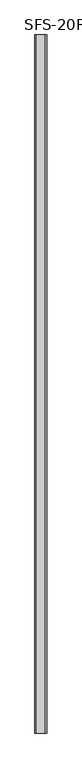
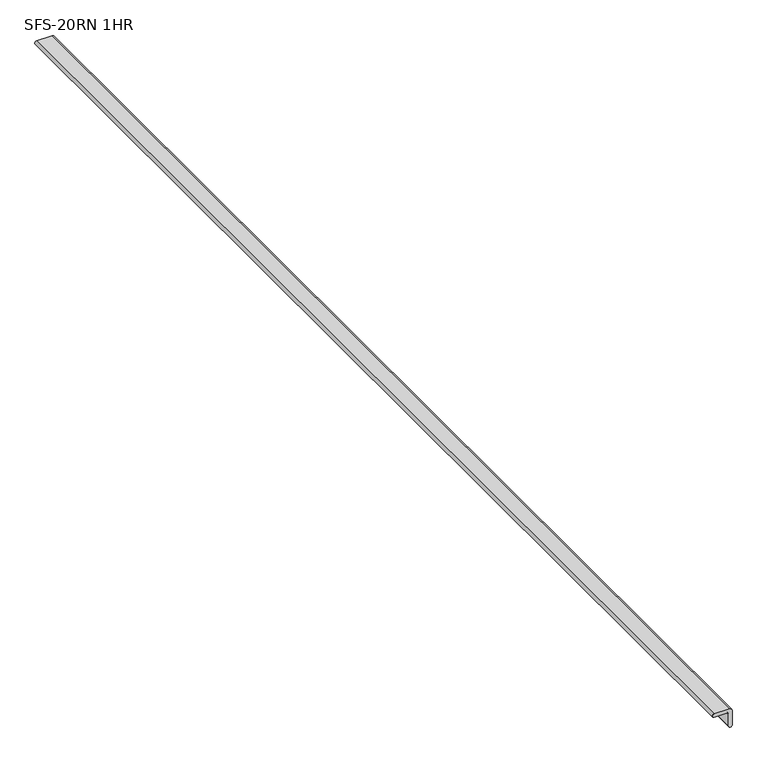
"""IFC4 building model written with IfcOpenShell, lengths in millimetres: proxy geometry, SFS-20RN 1HR."""

import ifcopenshell
import ifcopenshell.guid

model = None  # the IFC model being written
_history = None  # IfcOwnerHistory: only IFC2X3 demands one
_inside = {}  # id of a spatial element -> (the spatial element, [elements in it])
_under = {}  # id of a project, library or spatial element -> (it, [spatial elements below it])
_declared = {}  # id of a project -> (the project, [libraries it declares])
_typed = {}  # id of a type object -> (the type object, [elements of that type])
_made_of = {}  # id of a material, layer set ... -> (it, [elements and type objects made of it])


def new_model(schema):
    """Start an empty IFC model of exactly this schema.

    Asked for "IFC4X3", IfcOpenShell would pick the latest addendum, in which some entities
    have other attributes; the version numbers below select the first issue.
    IFC2X3 requires an IfcOwnerHistory on every rooted entity: one is made here for all.
    """
    global model, _history
    if schema == "IFC4X3":
        model = ifcopenshell.file(schema_version=(4, 3, 0, 0))
    else:
        model = ifcopenshell.file(schema=schema)
    _inside.clear()
    _under.clear()
    _declared.clear()
    _typed.clear()
    _made_of.clear()
    _history = None
    if model.schema == "IFC2X3":
        org = make("IfcOrganization", Name="unknown")
        user = make(
            "IfcPersonAndOrganization",
            ThePerson=make("IfcPerson", FamilyName="unknown"),
            TheOrganization=org,
        )
        app = make(
            "IfcApplication",
            ApplicationDeveloper=org,
            Version="unknown",
            ApplicationFullName="unknown",
            ApplicationIdentifier="unknown",
        )
        _history = make(
            "IfcOwnerHistory",
            OwningUser=user,
            OwningApplication=app,
            ChangeAction="ADDED",
            CreationDate=0,
        )
    return model


def make(cls, **values):
    """One entity of the class cls with the attributes given. An attribute that is None is left unset."""
    return model.create_entity(
        cls, **{name: value for name, value in values.items() if value is not None}
    )


def rooted(cls, **values):
    """An entity with a GlobalId (a new one), such as an element, a storey or a relation."""
    return make(cls, GlobalId=ifcopenshell.guid.new(), OwnerHistory=_history, **values)


def si_unit(unit_type, name, prefix=None):
    """IfcSIUnit, for example si_unit("LENGTHUNIT", "METRE", prefix="MILLI")."""
    return make("IfcSIUnit", UnitType=unit_type, Prefix=prefix, Name=name)


def assignment(units):
    """IfcUnitAssignment: the units of a project."""
    return None if units is None else make("IfcUnitAssignment", Units=units)


def point(xyz):
    """IfcCartesianPoint."""
    return None if xyz is None else make("IfcCartesianPoint", Coordinates=xyz)


def direction(xyz):
    """IfcDirection."""
    return None if xyz is None else make("IfcDirection", DirectionRatios=xyz)


def frame(location, z_axis=None, x_axis=None):
    """IfcAxis2Placement3D, a coordinate frame: its origin and axes. An axis left out is left unset."""
    return make(
        "IfcAxis2Placement3D",
        Location=point(location),
        Axis=direction(z_axis),
        RefDirection=direction(x_axis),
    )


def origin():
    """The frame at (0, 0, 0) with its axes left unset."""
    return frame((0.0, 0.0, 0.0))


def place(relative_to, where):
    """IfcLocalPlacement: puts the frame where relative to a parent placement (None: the world)."""
    return make(
        "IfcLocalPlacement", PlacementRelTo=relative_to, RelativePlacement=where
    )


def context(
    kind, dimensions, precision=None, world=None, true_north=None, identifier=None
):
    """IfcGeometricRepresentationContext, for example the 3D "Model" context."""
    return make(
        "IfcGeometricRepresentationContext",
        ContextIdentifier=identifier,
        ContextType=kind,
        CoordinateSpaceDimension=dimensions,
        Precision=precision,
        WorldCoordinateSystem=world,
        TrueNorth=true_north,
    )


def project(units=None, contexts=None):
    """IfcProject with its units and contexts."""
    return rooted(
        "IfcProject",
        Name="project",
        RepresentationContexts=contexts,
        UnitsInContext=assignment(units),
    )


def spatial(cls, under=None, at=None, **own):
    """A site, building, storey or space (cls), placed at a placement, below another one or the project."""
    s = rooted(cls, ObjectPlacement=at, **own)
    if under is not None:
        _under.setdefault(under.id(), (under, []))[1].append(s)
    return s


def polyline(points):
    """IfcPolyline through the points."""
    return make("IfcPolyline", Points=[point(p) for p in points])


def circle_curve(where, radius):
    """IfcCircle in the frame where."""
    return make("IfcCircle", Position=where, Radius=radius)


def shape(context_of_items, identifier, shape_type, items):
    """IfcShapeRepresentation: the items that make up one representation, for example the "Body"."""
    return make(
        "IfcShapeRepresentation",
        ContextOfItems=context_of_items,
        RepresentationIdentifier=identifier,
        RepresentationType=shape_type,
        Items=items,
    )


def source(mapping_origin, context_of_items, identifier, shape_type, items):
    """IfcRepresentationMap: a shape defined once, which mapped items show again and again."""
    return make(
        "IfcRepresentationMap",
        MappingOrigin=mapping_origin,
        MappedRepresentation=shape(context_of_items, identifier, shape_type, items),
    )


def transform(
    local_origin,
    x_axis=None,
    y_axis=None,
    z_axis=None,
    scale=None,
    scale2=None,
    scale3=None,
    uniform=True,
):
    """IfcCartesianTransformationOperator3D, or its non-uniform kind. x_axis, y_axis, z_axis: its Axis1, 2, 3."""
    if uniform:
        return make(
            "IfcCartesianTransformationOperator3D",
            Axis1=direction(x_axis),
            Axis2=direction(y_axis),
            LocalOrigin=point(local_origin),
            Scale=scale,
            Axis3=direction(z_axis),
        )
    return make(
        "IfcCartesianTransformationOperator3DnonUniform",
        Axis1=direction(x_axis),
        Axis2=direction(y_axis),
        LocalOrigin=point(local_origin),
        Scale=scale,
        Axis3=direction(z_axis),
        Scale2=scale2,
        Scale3=scale3,
    )


def mapped(mapping_source, mapping_target):
    """IfcMappedItem: shows the shape of a source again, moved by a transform."""
    return make(
        "IfcMappedItem", MappingSource=mapping_source, MappingTarget=mapping_target
    )


def made_of(thing, what):
    """Note that an element or type object is made of a material, layer set ...; save() writes the relation."""
    if what is not None:
        _made_of.setdefault(what.id(), (what, []))[1].append(thing)
    return thing


def element(
    cls,
    number,
    at=None,
    inside=None,
    cuts=None,
    type_object=None,
    material=None,
    context=None,
    identifier="Body",
    shape_type=None,
    held_by="IfcProductDefinitionShape",
    body=None,
    shapes=None,
    **own,
):
    """One element of the class cls, such as IfcWall. Its Tag is "e" and its number.

    at: its placement. inside: the storey or other place that contains it. cuts: it is an
    opening in that element (IfcRelVoidsElement). A single representation is given by context,
    identifier, shape_type and body (its items); several are given by shapes. held_by: the class
    of the entity that holds the representations. save() writes the other relations.
    """
    e = rooted(cls, Tag="e%d" % number, ObjectPlacement=at, **own)
    if body is not None:
        shapes = [shape(context, identifier, shape_type, body)]
    if shapes is not None:
        e.Representation = make(held_by, Representations=shapes)
    if inside is not None:
        _inside.setdefault(inside.id(), (inside, []))[1].append(e)
    if cuts is not None:
        rooted(
            "IfcRelVoidsElement", RelatingBuildingElement=cuts, RelatedOpeningElement=e
        )
    if type_object is not None:
        _typed.setdefault(type_object.id(), (type_object, []))[1].append(e)
    return made_of(e, material)


def aggregate(whole, parts):
    """IfcRelAggregates: a whole, such as a stair, and the parts it consists of."""
    return rooted("IfcRelAggregates", RelatingObject=whole, RelatedObjects=parts)


def save(model, path):
    """Write the relations noted so far, then the file.

    IfcRelAggregates (storeys below a building ...), IfcRelContainedInSpatialStructure (elements
    in a storey), IfcRelDefinesByType, IfcRelAssociatesMaterial and IfcRelDeclares: one each for
    every whole, place, type object, material and project.
    """
    for whole, parts in _under.values():
        aggregate(whole, parts)
    for where, things in _inside.values():
        rooted(
            "IfcRelContainedInSpatialStructure",
            RelatedElements=things,
            RelatingStructure=where,
        )
    for kind, things in _typed.values():
        rooted("IfcRelDefinesByType", RelatedObjects=things, RelatingType=kind)
    for what, things in _made_of.values():
        rooted("IfcRelAssociatesMaterial", RelatedObjects=things, RelatingMaterial=what)
    for by, libraries in _declared.values():
        rooted("IfcRelDeclares", RelatingContext=by, RelatedDefinitions=libraries)
    model.write(path)


def plane_surface(at):
    """IfcPlane: the flat surface through the origin of the frame at, square to its z axis."""
    return make("IfcPlane", Position=at)


def cylinder_surface(at, radius):
    """IfcCylindricalSurface: all points at the distance radius from the z axis of the frame at."""
    return make("IfcCylindricalSurface", Position=at, Radius=radius)


def revolved_surface(curve, axis_point, axis_direction):
    """IfcSurfaceOfRevolution: the curve turned about the line through axis_point along axis_direction."""
    return make(
        "IfcSurfaceOfRevolution",
        SweptCurve=make("IfcArbitraryOpenProfileDef", ProfileType="CURVE", Curve=curve),
        AxisPosition=make("IfcAxis1Placement", Location=point(axis_point), Axis=direction(axis_direction)),
    )


def advanced_brep(points, edges, surfaces, faces):
    """IfcAdvancedBrep: a solid bounded by faces that lie on surfaces and meet in shared edges.

    An edge is (start, end): straight between two places in points (the first is 0);
    or (start, end, curve); or (start, end, curve, False) where it runs against its curve.
    A face is (place in surfaces, loops), or (place, loops, False) where it looks against
    its surface's normal. A loop lists edges by number (the first is 1), with a minus sign
    where the edge is run from its end to its start. The first loop is the outer one.
    """
    corners = [point(p) for p in points]
    vertices = [make("IfcVertexPoint", VertexGeometry=c) for c in corners]
    made = []
    for start, end, *more in edges:
        made.append(
            make(
                "IfcEdgeCurve",
                EdgeStart=vertices[start],
                EdgeEnd=vertices[end],
                EdgeGeometry=more[0] if more else make("IfcPolyline", Points=[corners[start], corners[end]]),
                SameSense=more[1] if len(more) > 1 else True,
            )
        )
    hull = []
    for where, loops, *sense in faces:
        bounds = []
        for j, loop in enumerate(loops):
            ring = [make("IfcOrientedEdge", EdgeElement=made[abs(k) - 1], Orientation=k > 0) for k in loop]
            bounds.append(
                make(
                    "IfcFaceOuterBound" if j == 0 else "IfcFaceBound",
                    Bound=make("IfcEdgeLoop", EdgeList=ring),
                    Orientation=True,
                )
            )
        hull.append(make("IfcAdvancedFace", Bounds=bounds, FaceSurface=surfaces[where], SameSense=sense[0] if sense else True))
    return make("IfcAdvancedBrep", Outer=make("IfcClosedShell", CfsFaces=hull))


def sfs_20rn_1hr_c9923100(model_context):
    return source(origin(), model_context, "Body", "AdvancedBrep", [
        advanced_brep(
        [(-2.9803261, 1879.6, 3.4185546), (3.4763795, 1879.6, -2.8876375), (3.4763797, 1879.6, -42.7818985), (-5.8874165, 1879.6, -42.6977927), (-5.8874165, 1879.6, -11.0459161), (-11.0459154, 1879.6, -5.8874172), (-42.670614, 1879.6, -5.8874172), (-42.7818985, 1879.6, 3.4763797), (-2.9717439, -1141.4125, 3.4763797), (-42.7818985, -1141.4125, 3.4763797), (-42.670614, -1141.4125, -5.8874173), (-11.0459154, -1141.4125, -5.8874172), (-5.8874165, -1141.4125, -11.0459161), (-5.8874165, -1141.4125, -42.6977927), (3.4763797, -1141.4125, -42.7818985), (3.4763797, -1141.4125, -2.8876375)],
        [
            (0, 1, circle_curve(frame((-2.8315669, 1879.6, -2.8876375), z_axis=(0.0, 1.0, 0.0), x_axis=(0.0, 0.0, -1.0)), 6.3079464)),
            (1, 2),
            (2, 3, circle_curve(frame((-1.2050225, 1879.6, -42.6846318), z_axis=(0.0, 1.0, 0.0), x_axis=(0.9997842229639068, 0.0, -0.02077275890336405)), 4.6824125)),
            (3, 4),
            (4, 5, circle_curve(frame((-11.0459154, 1879.6, -11.0459161), z_axis=(0.0, -1.0, 0.0), x_axis=(1.0, 0.0, 0.0)), 5.1584989)),
            (5, 6),
            (6, 7, circle_curve(frame((-42.670614, 1879.6, -1.2048575), z_axis=(0.0, 1.0, 0.0), x_axis=(0.0001829922009375041, 0.0, -0.9999999832569271)), 4.6825598)),
            (7, 0),
            (8, 9),
            (9, 10, circle_curve(frame((-42.670614, -1141.4125, -1.2048575), z_axis=(0.0, -1.0, 0.0), x_axis=(0.0001829922009375041, 0.0, -0.9999999832569271)), 4.6825598)),
            (10, 11),
            (11, 12, circle_curve(frame((-11.0459154, -1141.4125, -11.0459161), z_axis=(0.0, 1.0, 0.0), x_axis=(1.0, 0.0, 0.0)), 5.1584989)),
            (12, 13),
            (13, 14, circle_curve(frame((-1.2050225, -1141.4125, -42.6846318), z_axis=(0.0, -1.0, 0.0), x_axis=(0.9997842229639068, 0.0, -0.02077275890336405)), 4.6824125)),
            (14, 15),
            (15, 8, circle_curve(frame((-2.8315669, -1141.4125, -2.8876375), z_axis=(0.0, -1.0, 0.0), x_axis=(0.0, 0.0, -1.0)), 6.3079464)),
            (0, 8),
            (15, 1),
            (6, 10),
            (9, 7),
            (14, 2),
            (13, 3),
            (12, 4),
            (5, 11),
        ],
        [
            plane_surface(frame((0.0, 1879.6, 0.0), z_axis=(0.0, 1.0, 0.0), x_axis=(0.0, 0.0, 1.0))),
            plane_surface(frame((0.0, -1141.4125, 0.0), z_axis=(0.0, -1.0, 0.0), x_axis=(0.0, 0.0, 1.0))),
            cylinder_surface(frame((-2.8315669, 1879.6, -2.8876375), z_axis=(0.0, 1.0, 0.0), x_axis=(0.0, 0.0, -1.0)), 6.3079464),
            cylinder_surface(frame((-42.670614, 1879.6, -1.2048575), z_axis=(0.0, 1.0, 0.0), x_axis=(0.0001829922009375041, 0.0, -0.9999999832569271)), 4.6825598),
            plane_surface(frame((3.4763797, 1879.6, -2.8876375), z_axis=(1.0, 0.0, 0.0), x_axis=(0.0, -1.0, 0.0))),
            cylinder_surface(frame((-1.2050225, 1879.6, -42.6846318), z_axis=(0.0, 1.0000000000000002, 0.0), x_axis=(0.9997842229639068, 0.0, -0.02077275890336405)), 4.6824125),
            plane_surface(frame((-5.8874165, 1879.6, -42.6977927), z_axis=(-1.0, 0.0, 0.0), x_axis=(0.0, -1.0, 0.0))),
            plane_surface(frame((-11.0459154, 1879.6, -5.8874172), z_axis=(0.0, 0.0, -1.0), x_axis=(0.0, -1.0, 0.0))),
            plane_surface(frame((-42.7818985, 1879.6, 3.4763797), z_axis=(0.0, 0.0, 1.0), x_axis=(0.0, -1.0, 0.0))),
            revolved_surface(polyline([(-5.8874165000000005, -1141.4125, -11.0459161), (-5.8874165000000005, 1879.6, -11.0459161)]), (-11.0459154, 1879.6, -11.0459161), (0.0, -1.0, 0.0)),
        ],
        [
            (0, [[1, 2, 3, 4, 5, 6, 7, 8]]),
            (1, [[9, 10, 11, 12, 13, 14, 15, 16]]),
            (2, [[-1, 17, -16, 18]]),
            (3, [[-7, 19, -10, 20]]),
            (4, [[-2, -18, -15, 21]]),
            (5, [[-3, -21, -14, 22]]),
            (6, [[-4, -22, -13, 23]]),
            (7, [[-6, 24, -11, -19]]),
            (8, [[-8, -20, -9, -17]]),
            (9, [[-5, -23, -12, -24]]),
        ],
    ),
    ])


if __name__ == "__main__":
    model = new_model("IFC4")
    model_context = context("Model", 3, world=origin())
    ifc_project = project(units=[si_unit("LENGTHUNIT", "METRE", prefix="MILLI")], contexts=[model_context])
    site = spatial("IfcSite", under=ifc_project)
    building = spatial("IfcBuilding", under=site)
    placement = place(None, origin())
    sfs_20rn_1hr_shape = sfs_20rn_1hr_c9923100(model_context)
    element("IfcBuildingElementProxy", 1, Name="SFS-20RN 1HR", ObjectType="SFS-20RN 1HR", at=placement, inside=building, context=model_context, shape_type="MappedRepresentation", body=[
        mapped(sfs_20rn_1hr_shape, transform((0.0, 0.0, 0.0), x_axis=(1.0, 0.0, 0.0), y_axis=(0.0, 1.0, 0.0), z_axis=(0.0, 0.0, 1.0))),
    ])
    save(model, "model.ifc")
